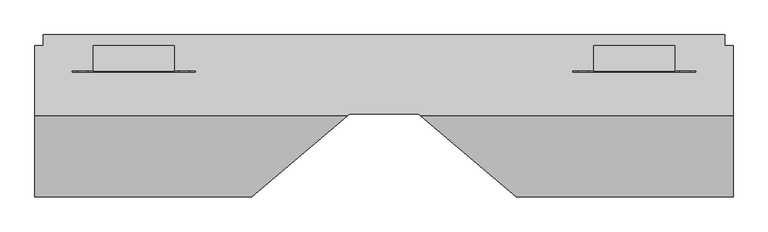
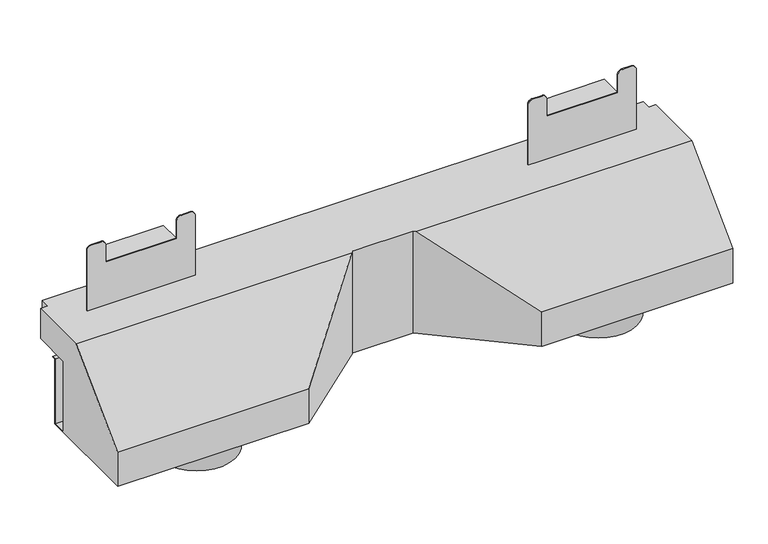
"""IFC4 building model written with IfcOpenShell, lengths in millimetres: proxy geometry."""

from ifc_helpers import new_model, si_unit, point, frame, frame_2d, origin, place, context, project, spatial, polyline, circle_curve, trimmed, segment, composite_curve, outline, extrude, faceted_brep, source, transform, mapped, element, save


def generic_models_452a1ad4(model_context):
    return source(origin(), model_context, "Body", "SolidModel", [
        extrude(outline(polyline([(-411.7036207, 64.8425134), (-294.9442708, 64.8425134), (-294.9442708, 28.3300134), (-411.7036207, 28.3300134), (-411.7036207, 64.8425134)])), frame((0.0, 0.0, 88.3618152), z_axis=(0.0, 0.0, 1.0), x_axis=(1.0, 0.0, 0.0)), (0.0, 0.0, 1.0), 1.5875),
        extrude(outline(polyline([(313.2196473, 64.8425134), (429.9789972, 64.8425134), (429.9789972, 28.3300134), (313.2196473, 28.3300134), (313.2196473, 64.8425134)])), frame((0.0, 0.0, 88.3618152), z_axis=(0.0, 0.0, 1.0), x_axis=(1.0, 0.0, 0.0)), (0.0, 0.0, 1.0), 1.5875),
        extrude(outline(composite_curve([segment(trimmed(circle_curve(frame_2d((55.872257, -452.8232179)), 7.6147402), [point((55.872257, -460.4379581))], [point((48.2575168, -452.8232179))], False, "CARTESIAN"), True, "CONTINUOUS"), segment(polyline([(48.2575168, -452.8232179), (48.2575168, -437.5937374)]), True, "CONTINUOUS"), segment(trimmed(circle_curve(frame_2d((55.872257, -437.5937374)), 7.6147402), [point((48.2575168, -437.5937374))], [point((55.872257, -429.9789972))], False, "CARTESIAN"), True, "CONTINUOUS"), segment(polyline([(55.872257, -429.9789972), (88.3618152, -429.9789972), (88.3618152, -313.2196473), (55.872257, -313.2196473)]), True, "CONTINUOUS"), segment(trimmed(circle_curve(frame_2d((55.872257, -305.6049071)), 7.6147402), [point((55.872257, -313.2196473))], [point((48.2575168, -305.6049071))], False, "CARTESIAN"), True, "CONTINUOUS"), segment(polyline([(48.2575168, -305.6049071), (48.2575168, -290.3754267)]), True, "CONTINUOUS"), segment(trimmed(circle_curve(frame_2d((55.872257, -290.3754267)), 7.6147402), [point((48.2575168, -290.3754267))], [point((55.872257, -282.7606865))], False, "CARTESIAN"), True, "CONTINUOUS"), segment(polyline([(55.872257, -282.7606865), (124.4049189, -282.7606865), (124.4049189, -460.4379581), (55.872257, -460.4379581)]), True, "CONTINUOUS")], self_intersect=False)), frame((0.0, 66.4300134, 0.0), z_axis=(0.0, 1.0, 0.0), x_axis=(0.0, 0.0, 1.0)), (0.0, 0.0, 1.0), 1.5875),
        extrude(outline(composite_curve([segment(polyline([(55.872257, 460.4379581), (124.4049189, 460.4379581), (124.4049189, 282.7606865), (55.872257, 282.7606865)]), True, "CONTINUOUS"), segment(trimmed(circle_curve(frame_2d((55.872257, 290.3754267)), 7.6147402), [point((55.872257, 282.7606865))], [point((48.2575168, 290.3754267))], False, "CARTESIAN"), True, "CONTINUOUS"), segment(polyline([(48.2575168, 290.3754267), (48.2575168, 305.6049071)]), True, "CONTINUOUS"), segment(trimmed(circle_curve(frame_2d((55.872257, 305.6049071)), 7.6147402), [point((48.2575168, 305.6049071))], [point((55.872257, 313.2196473))], False, "CARTESIAN"), True, "CONTINUOUS"), segment(polyline([(55.872257, 313.2196473), (88.3618152, 313.2196473), (88.3618152, 429.9789972), (55.872257, 429.9789972)]), True, "CONTINUOUS"), segment(trimmed(circle_curve(frame_2d((55.872257, 437.5937374)), 7.6147402), [point((55.872257, 429.9789972))], [point((48.2575168, 437.5937374))], False, "CARTESIAN"), True, "CONTINUOUS"), segment(polyline([(48.2575168, 437.5937374), (48.2575168, 452.8232179)]), True, "CONTINUOUS"), segment(trimmed(circle_curve(frame_2d((55.872257, 452.8232179)), 7.6147402), [point((48.2575168, 452.8232179))], [point((55.872257, 460.4379581))], False, "CARTESIAN"), True, "CONTINUOUS")], self_intersect=False)), frame((0.0, 66.4300134, 0.0), z_axis=(0.0, 1.0, 0.0), x_axis=(0.0, 0.0, 1.0)), (0.0, 0.0, 1.0), 1.5875),
        extrude(outline(polyline([(-420.841309, 64.8425134), (-304.0819591, 64.8425134), (-304.0819591, 28.3300134), (-420.841309, 28.3300134), (-420.841309, 64.8425134)])), frame((0.0, 0.0, 249.3217236), z_axis=(0.0, 0.0, 1.0), x_axis=(1.0, 0.0, 0.0)), (0.0, 0.0, 1.0), 1.5875),
        extrude(outline(polyline([(304.0819591, 64.8425134), (420.841309, 64.8425134), (420.841309, 28.3300134), (304.0819591, 28.3300134), (304.0819591, 64.8425134)])), frame((0.0, 0.0, 249.3217236), z_axis=(0.0, 0.0, 1.0), x_axis=(1.0, 0.0, 0.0)), (0.0, 0.0, 1.0), 1.5875),
        extrude(outline(composite_curve([segment(polyline([(281.0889773, -451.3002698), (176.7924189, -451.3002698), (176.7924189, -273.6229982), (281.0889773, -273.6229982)]), True, "CONTINUOUS"), segment(trimmed(circle_curve(frame_2d((281.0889773, -281.2377385)), 7.6147402), [point((281.0889773, -273.6229982))], [point((288.7037175, -281.2377385))], False, "CARTESIAN"), True, "CONTINUOUS"), segment(polyline([(288.7037175, -281.2377385), (288.7037175, -296.4672189)]), True, "CONTINUOUS"), segment(trimmed(circle_curve(frame_2d((281.0889773, -296.4672189)), 7.6147402), [point((288.7037175, -296.4672189))], [point((281.0889773, -304.0819591))], False, "CARTESIAN"), True, "CONTINUOUS"), segment(polyline([(281.0889773, -304.0819591), (250.9092236, -304.0819591), (250.9092236, -420.841309), (281.0889773, -420.841309)]), True, "CONTINUOUS"), segment(trimmed(circle_curve(frame_2d((281.0889773, -428.4560492)), 7.6147402), [point((281.0889773, -420.841309))], [point((288.7037175, -428.4560492))], False, "CARTESIAN"), True, "CONTINUOUS"), segment(polyline([(288.7037175, -428.4560492), (288.7037175, -443.6855296)]), True, "CONTINUOUS"), segment(trimmed(circle_curve(frame_2d((281.0889773, -443.6855296)), 7.6147402), [point((288.7037175, -443.6855296))], [point((281.0889773, -451.3002698))], False, "CARTESIAN"), True, "CONTINUOUS")], self_intersect=False)), frame((0.0, 26.7425134, 0.0), z_axis=(0.0, 1.0, 0.0), x_axis=(0.0, 0.0, 1.0)), (0.0, 0.0, 1.0), 1.5875),
        extrude(outline(composite_curve([segment(polyline([(281.0889773, 273.6229982), (176.7924189, 273.6229982), (176.7924189, 451.3002698), (281.0889773, 451.3002698)]), True, "CONTINUOUS"), segment(trimmed(circle_curve(frame_2d((281.0889773, 443.6855296)), 7.6147402), [point((281.0889773, 451.3002698))], [point((288.7037175, 443.6855296))], False, "CARTESIAN"), True, "CONTINUOUS"), segment(polyline([(288.7037175, 443.6855296), (288.7037175, 428.4560492)]), True, "CONTINUOUS"), segment(trimmed(circle_curve(frame_2d((281.0889773, 428.4560492)), 7.6147402), [point((288.7037175, 428.4560492))], [point((281.0889773, 420.841309))], False, "CARTESIAN"), True, "CONTINUOUS"), segment(polyline([(281.0889773, 420.841309), (250.9092236, 420.841309), (250.9092236, 304.0819591), (281.0889773, 304.0819591)]), True, "CONTINUOUS"), segment(trimmed(circle_curve(frame_2d((281.0889773, 296.4672189)), 7.6147402), [point((281.0889773, 304.0819591))], [point((288.7037175, 296.4672189))], False, "CARTESIAN"), True, "CONTINUOUS"), segment(polyline([(288.7037175, 296.4672189), (288.7037175, 281.2377385)]), True, "CONTINUOUS"), segment(trimmed(circle_curve(frame_2d((281.0889773, 281.2377385)), 7.6147402), [point((288.7037175, 281.2377385))], [point((281.0889773, 273.6229982))], False, "CARTESIAN"), True, "CONTINUOUS")], self_intersect=False)), frame((0.0, 26.7425134, 0.0), z_axis=(0.0, 1.0, 0.0), x_axis=(0.0, 0.0, 1.0)), (0.0, 0.0, 1.0), 1.5875),
        extrude(outline(composite_curve([segment(trimmed(circle_curve(frame_2d((-329.9720758, -74.9122761)), 63.5), [point((-393.4720758, -74.9122761))], [point((-266.4720758, -74.9122761))], False, "CARTESIAN"), True, "CONTINUOUS"), segment(trimmed(circle_curve(frame_2d((-329.9720758, -74.9122761)), 63.5), [point((-266.4720758, -74.9122761))], [point((-393.4720758, -74.9122761))], False, "CARTESIAN"), True, "CONTINUOUS")], self_intersect=False)), frame((0.0, 0.0, -38.1), z_axis=(0.0, 0.0, 1.0), x_axis=(1.0, 0.0, 0.0)), (0.0, 0.0, 1.0), 38.1),
        extrude(outline(composite_curve([segment(trimmed(circle_curve(frame_2d((329.9720758, -74.9122761)), 63.5), [point((393.4720758, -74.9122761))], [point((266.4720758, -74.9122761))], False, "CARTESIAN"), True, "CONTINUOUS"), segment(trimmed(circle_curve(frame_2d((329.9720758, -74.9122761)), 63.5), [point((266.4720758, -74.9122761))], [point((393.4720758, -74.9122761))], False, "CARTESIAN"), True, "CONTINUOUS")], self_intersect=False)), frame((0.0, 0.0, -38.1), z_axis=(0.0, 0.0, 1.0), x_axis=(1.0, 0.0, 0.0)), (0.0, 0.0, 1.0), 38.1),
        faceted_brep([(-505.61875, 0.0, 124.4049189), (-505.61875, 0.0, 1.3890625), (-505.61875, 23.772945, 1.3890625), (-505.61875, 23.772945, 114.3), (-505.61875, 30.7112634, 114.3), (-505.61875, 30.7112634, 112.9179315), (-505.61875, 25.1550134, 112.9179315), (-505.61875, 25.1550134, 0.0), (-505.61875, -154.2324866, 0.0), (-505.61875, -154.2324866, 59.5223021), (-505.61875, -36.9623698, 176.7924189), (-505.61875, 65.3258562, 176.7924189), (-505.61875, 65.3258562, 124.4049189), (505.61875, -36.9623698, 176.7924189), (505.61875, -154.2324866, 59.5223021), (505.61875, -154.2324866, 0.0), (505.61875, 25.1550134, 0.0), (505.61875, 25.1550134, 112.9179315), (505.61875, 30.7112634, 112.9179315), (505.61875, 30.7112634, 114.3), (505.61875, 23.772945, 114.3), (505.61875, 23.772945, 1.3890625), (505.61875, 0.0, 1.3890625), (505.61875, 0.0, 124.4049189), (505.61875, 65.3258562, 124.4049189), (505.61875, 65.3258562, 176.7924189), (-493.8412851, 65.3258562, 124.4049189), (-493.8412851, 80.7175134, 124.4049189), (493.8412851, 80.7175134, 124.4049189), (493.8412851, 65.3258562, 124.4049189), (191.5781697, -154.2324866, 0.0), (49.6576265, -33.8751133, 0.0), (-49.6576265, -33.8751133, 0.0), (-191.5781697, -154.2324866, 0.0), (-191.5781697, -154.2324866, 59.5223021), (191.5781697, -154.2324866, 59.5223021), (-53.2979944, -36.9623698, 176.7924189), (53.2979944, -36.9623698, 176.7924189), (493.8412851, 65.3258562, 176.7924189), (493.8412851, 80.7175134, 176.7924189), (-493.8412851, 80.7175134, 176.7924189), (-493.8412851, 65.3258562, 176.7924189), (-49.6576265, -33.8751133, 176.7924189), (49.6576265, -33.8751133, 176.7924189)], [[[0, 1, 2, 3, 4, 5, 6, 7, 8, 9, 10, 11, 12]], [[13, 14, 15, 16, 17, 18, 19, 20, 21, 22, 23, 24, 25]], [[23, 0, 12, 26, 27, 28, 29, 24]], [[1, 0, 23, 22]], [[8, 7, 16, 15, 30, 31, 32, 33]], [[9, 8, 33, 34]], [[15, 14, 35, 30]], [[10, 9, 34, 36]], [[14, 13, 37, 35]], [[37, 13, 25, 38, 39, 40, 41, 11, 10, 36, 42, 43]], [[28, 27, 40, 39]], [[2, 1, 22, 21]], [[3, 2, 21, 20]], [[4, 3, 20, 19]], [[7, 6, 17, 16]], [[5, 4, 19, 18]], [[6, 5, 18, 17]], [[43, 31, 30, 35, 37]], [[31, 43, 42, 32]], [[32, 42, 36, 34, 33]], [[38, 29, 28, 39]], [[29, 38, 25, 24]], [[41, 26, 12, 11]], [[26, 41, 40, 27]]]),
    ])


if __name__ == "__main__":
    model = new_model("IFC4")
    model_context = context("Model", 3, world=origin())
    ifc_project = project(units=[si_unit("LENGTHUNIT", "METRE", prefix="MILLI")], contexts=[model_context])
    site = spatial("IfcSite", under=ifc_project)
    building = spatial("IfcBuilding", under=site)
    placement = place(None, origin())
    generic_models_shape = generic_models_452a1ad4(model_context)
    element("IfcBuildingElementProxy", 1, Name="Generic Models", at=placement, inside=building, context=model_context, shape_type="MappedRepresentation", body=[
        mapped(generic_models_shape, transform((0.0, 0.0, 0.0), x_axis=(1.0, 0.0, 0.0), y_axis=(0.0, 1.0, 0.0), z_axis=(0.0, 0.0, 1.0))),
    ])
    save(model, "model.ifc")
